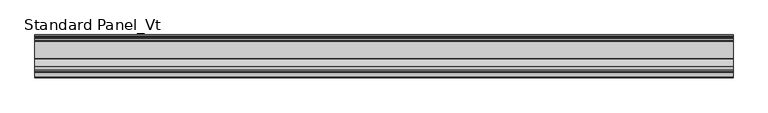
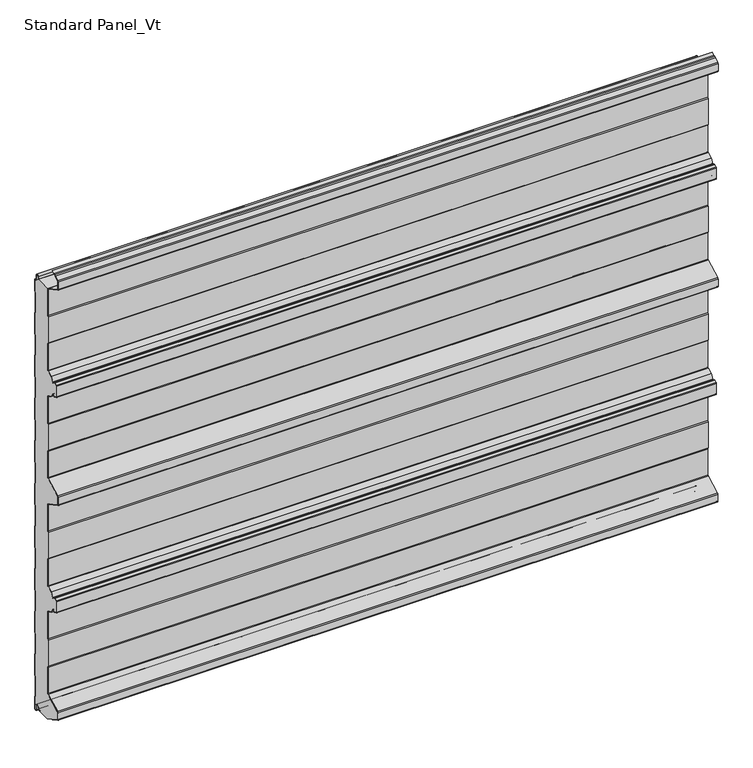
"""IFC4 building model written with IfcOpenShell, lengths in millimetres: proxy geometry, Standard Panel_Vt."""

from ifc_helpers import new_model, si_unit, point, frame, frame_2d, origin, place, context, project, spatial, polyline, circle_curve, trimmed, segment, composite_curve, outline, extrude, source, transform, mapped, element, save


def standard_panel_vt_51ccf5a8(model_context):
    return source(origin(), model_context, "Body", "SweptSolid", [
        extrude(outline(composite_curve([segment(trimmed(circle_curve(frame_2d((-51.75, 967.456399)), 2.55), [point((-49.2, 967.456399))], [point((-49.6107833, 968.8442938))], True, "CARTESIAN"), True, "CONTINUOUS"), segment(polyline([(-49.6107833, 968.8442938), (-13.0699171, 968.8442938), (-11.8132517, 974.2875095)]), True, "CONTINUOUS"), segment(trimmed(circle_curve(frame_2d((-9.036297, 973.646399)), 2.85), [point((-11.8132517, 974.2875095))], [point((-6.186297, 973.646399))], False, "CARTESIAN"), True, "CONTINUOUS"), segment(polyline([(-6.186297, 973.646399), (-6.186297, 963.846399)]), True, "CONTINUOUS"), segment(trimmed(circle_curve(frame_2d((-3.436297, 963.846399)), 2.75), [point((-6.186297, 963.846399))], [point((-3.436297, 961.096399))], True, "CARTESIAN"), True, "CONTINUOUS"), segment(polyline([(-3.436297, 961.096399), (-2.036297, 961.096399)]), True, "CONTINUOUS"), segment(trimmed(circle_curve(frame_2d((-2.036297, 959.846399)), 1.25), [point((-2.036297, 961.096399))], [point((-0.786297, 959.846399))], False, "CARTESIAN"), True, "CONTINUOUS"), segment(polyline([(-0.786297, 959.846399), (-0.786297, 932.8331036), (-1.786297, 931.1010528), (-1.786297, 884.6770917), (-0.786297, 882.9025902), (-0.786297, 833.8331036), (-1.8, 832.1010528), (-1.8, 785.6364357), (-0.8, 783.9043849), (-0.8, 734.8331036), (-1.8, 733.1010528), (-1.8, 686.6770917), (-0.8, 684.9025902), (-0.8, 635.8331036), (-1.8, 634.1010528), (-1.8, 587.6770917), (-0.8, 585.9025902), (-0.8, 536.8331036), (-1.8, 535.1010528), (-1.8, 488.6364357), (-0.8, 486.9043849), (-0.8, 437.8331036), (-1.8, 436.1010528), (-1.8, 389.6364357), (-0.8, 387.9043849), (-0.8, 338.8331036), (-1.8, 337.1010528), (-1.8, 290.6770917), (-0.8, 288.9025902), (-0.8, 239.8331036), (-1.8, 238.1010528), (-1.8, 191.6364357), (-0.8, 189.9043849), (-0.8, 140.8331036), (-1.8, 139.1010528), (-1.8, 92.6364357), (-0.8, 90.9043849), (-0.8, 41.8331036), (-1.8, 40.1010528), (-1.8, -6.3635643), (-0.8, -8.0956151), (-0.8, -35.653601)]), True, "CONTINUOUS"), segment(trimmed(circle_curve(frame_2d((-2.55, -35.653601)), 1.75), [point((-0.8, -35.653601))], [point((-4.3, -35.653601))], False, "CARTESIAN"), True, "CONTINUOUS"), segment(polyline([(-4.3, -35.653601), (-4.3, -26.153601)]), True, "CONTINUOUS"), segment(trimmed(circle_curve(frame_2d((-9.05, -26.153601)), 4.75), [point((-4.3, -26.153601))], [point((-13.7278368, -25.3287722))], True, "CARTESIAN"), True, "CONTINUOUS"), segment(polyline([(-13.7278368, -25.3287722), (-14.4904098, -29.6535385)]), True, "CONTINUOUS"), segment(trimmed(circle_curve(frame_2d((-15.3274964, -29.5059375)), 0.85), [point((-14.4904098, -29.6535385))], [point((-16.1690547, -29.6254352))], False, "CARTESIAN"), True, "CONTINUOUS"), segment(polyline([(-16.1690547, -29.6254352), (-16.8682582, -24.7013192), (-17.660313, -24.8137877), (-16.9611095, -29.7379036)]), True, "CONTINUOUS"), segment(trimmed(circle_curve(frame_2d((-15.3274964, -29.5059375)), 1.65), [point((-16.9611095, -29.7379036))], [point((-15.3551162, -31.1557063))], True, "CARTESIAN"), True, "CONTINUOUS"), segment(polyline([(-15.3551162, -31.1557063), (-46.7559646, -31.1557063), (-85.4808064, -10.5653426)]), True, "CONTINUOUS"), segment(trimmed(circle_curve(frame_2d((-84.5183897, -8.7553)), 2.05), [point((-85.4808064, -10.5653426))], [point((-86.5683897, -8.7553))], False, "CARTESIAN"), True, "CONTINUOUS"), segment(polyline([(-86.5683897, -8.7553), (-86.5683897, 6.7553)]), True, "CONTINUOUS"), segment(trimmed(circle_curve(frame_2d((-84.5183897, 6.7553)), 2.05), [point((-86.5683897, 6.7553))], [point((-85.4813607, 8.5650477))], False, "CARTESIAN"), True, "CONTINUOUS"), segment(polyline([(-85.4813607, 8.5650477), (-50.5090325, 27.08352)]), True, "CONTINUOUS"), segment(trimmed(circle_curve(frame_2d((-51.7198823, 29.2934182)), 2.5198823), [point((-50.5090325, 27.08352))], [point((-49.2, 29.2934182))], True, "CARTESIAN"), True, "CONTINUOUS"), segment(polyline([(-49.2, 29.2934182), (-49.2, 90.6923193), (-50.1683897, 93.6457761), (-50.1683897, 153.4455537), (-49.2, 156.4610626), (-49.2, 218.3415811)]), True, "CONTINUOUS"), segment(trimmed(circle_curve(frame_2d((-50.9901889, 218.5292607)), 1.8), [point((-49.2, 218.3415811))], [point((-50.1451242, 220.1185579))], True, "CARTESIAN"), True, "CONTINUOUS"), segment(polyline([(-50.1451242, 220.1185579), (-61.6632074, 226.2429788), (-67.3508249, 235.2263707)]), True, "CONTINUOUS"), segment(trimmed(circle_curve(frame_2d((-68.8716418, 234.2635022)), 1.8), [point((-67.3508249, 235.2263707))], [point((-69.6785164, 235.8725247))], True, "CARTESIAN"), True, "CONTINUOUS"), segment(polyline([(-69.6785164, 235.8725247), (-74.8574433, 233.2754544), (-80.4573069, 236.2530799), (-80.4573069, 261.7469268), (-74.8466132, 264.730008), (-69.6784342, 262.138199)]), True, "CONTINUOUS"), segment(trimmed(circle_curve(frame_2d((-68.8715276, 263.7472055)), 1.8), [point((-69.6784342, 262.138199))], [point((-67.3507298, 262.7843068))], True, "CARTESIAN"), True, "CONTINUOUS"), segment(polyline([(-67.3507298, 262.7843068), (-61.6734802, 271.7509289), (-50.1454573, 277.8803412)]), True, "CONTINUOUS"), segment(trimmed(circle_curve(frame_2d((-50.9904904, 279.4696552)), 1.8), [point((-50.1454573, 277.8803412))], [point((-49.2, 279.6544369))], True, "CARTESIAN"), True, "CONTINUOUS"), segment(polyline([(-49.2, 279.6544369), (-49.2, 341.1072203), (-50.1683897, 343.4888602), (-50.1683897, 403.280201), (-49.2, 405.6618409), (-49.2, 467.4564123)]), True, "CONTINUOUS"), segment(trimmed(circle_curve(frame_2d((-51.75, 467.4564123)), 2.55), [point((-49.2, 467.4564123))], [point((-50.5528475, 469.7079287))], True, "CARTESIAN"), True, "CONTINUOUS"), segment(polyline([(-50.5528475, 469.7079287), (-86.4808064, 488.8111633)]), True, "CONTINUOUS"), segment(trimmed(circle_curve(frame_2d((-85.5183897, 490.6212058)), 2.05), [point((-86.4808064, 488.8111633))], [point((-87.5683897, 490.6212058))], False, "CARTESIAN"), True, "CONTINUOUS"), segment(polyline([(-87.5683897, 490.6212058), (-87.5683897, 507.3787942)]), True, "CONTINUOUS"), segment(trimmed(circle_curve(frame_2d((-85.5183897, 507.3787942)), 2.05), [point((-87.5683897, 507.3787942))], [point((-86.4808064, 509.1888367))], False, "CARTESIAN"), True, "CONTINUOUS"), segment(polyline([(-86.4808064, 509.1888367), (-50.5528475, 528.2920713)]), True, "CONTINUOUS"), segment(trimmed(circle_curve(frame_2d((-51.75, 530.5435877)), 2.55), [point((-50.5528475, 528.2920713))], [point((-49.2, 530.5435877))], True, "CARTESIAN"), True, "CONTINUOUS"), segment(polyline([(-49.2, 530.5435877), (-49.2, 591.8381591), (-50.1683897, 594.219799), (-50.1683897, 654.0111398), (-49.2, 656.3927803), (-49.2, 718.5303448)]), True, "CONTINUOUS"), segment(trimmed(circle_curve(frame_2d((-50.9997352, 718.5303448)), 1.7997352), [point((-49.2, 718.5303448))], [point((-50.1548264, 720.119425))], True, "CARTESIAN"), True, "CONTINUOUS"), segment(polyline([(-50.1548264, 720.119425), (-61.6832892, 726.2490712), (-67.3605387, 735.2156931)]), True, "CONTINUOUS"), segment(trimmed(circle_curve(frame_2d((-68.8813366, 734.2527944)), 1.8), [point((-67.3605387, 735.2156931))], [point((-69.6882431, 735.8618009))], True, "CARTESIAN"), True, "CONTINUOUS"), segment(polyline([(-69.6882431, 735.8618009), (-74.8564238, 733.269991), (-80.4669529, 736.2530911), (-80.4669529, 761.7470593), (-74.8672514, 764.724545), (-69.6883253, 762.1274752)]), True, "CONTINUOUS"), segment(trimmed(circle_curve(frame_2d((-68.8814507, 763.7364977)), 1.8), [point((-69.6883253, 762.1274752))], [point((-67.3606338, 762.7736292))], True, "CARTESIAN"), True, "CONTINUOUS"), segment(polyline([(-67.3606338, 762.7736292), (-61.6730163, 771.7570211), (-50.1549332, 777.881442)]), True, "CONTINUOUS"), segment(trimmed(circle_curve(frame_2d((-50.9999978, 779.4707392)), 1.8), [point((-50.1549332, 777.881442))], [point((-49.2, 779.4679533))], True, "CARTESIAN"), True, "CONTINUOUS"), segment(polyline([(-49.2, 779.4679533), (-49.2, 841.6072201), (-50.1683897, 843.9888535), (-50.1683897, 903.7801942), (-49.2, 906.1618275), (-49.2, 967.456399)]), True, "CONTINUOUS")], self_intersect=False)), frame((-723.9042608, 0.0, 0.0), z_axis=(1.0, 0.0, 0.0), x_axis=(0.0, 1.0, 0.0)), (0.0, 0.0, 1.0), 1447.8085217),
        extrude(outline(composite_curve([segment(trimmed(circle_curve(frame_2d((-51.75, 967.456399)), 1.75), [point((-50.0, 967.456399))], [point((-50.9284248, 969.0015573))], True, "CARTESIAN"), True, "CONTINUOUS"), segment(polyline([(-50.9284248, 969.0015573), (-86.8563836, 988.1047918)]), True, "CONTINUOUS"), segment(trimmed(circle_curve(frame_2d((-85.5183897, 990.6211925)), 2.85), [point((-86.8563836, 988.1047918))], [point((-88.3683897, 990.6211925))], False, "CARTESIAN"), True, "CONTINUOUS"), segment(polyline([(-88.3683897, 990.6211925), (-88.3683897, 1007.362)]), True, "CONTINUOUS"), segment(trimmed(circle_curve(frame_2d((-85.5183897, 1007.362)), 2.85), [point((-88.3683897, 1007.362))], [point((-86.8563836, 1009.8784006))], False, "CARTESIAN"), True, "CONTINUOUS"), segment(polyline([(-86.8563836, 1009.8784006), (-77.6702585, 1014.76275), (-75.3708693, 1017.1802976), (-72.000038, 1017.7776597), (-66.2289737, 1020.846189), (-65.8533964, 1020.139831), (-71.7360251, 1017.0119818), (-74.9723908, 1016.438449), (-77.1800551, 1014.1173397), (-86.4808064, 1009.1720426)]), True, "CONTINUOUS"), segment(trimmed(circle_curve(frame_2d((-85.5183897, 1007.362)), 2.05), [point((-86.4808064, 1009.1720426))], [point((-87.5683897, 1007.362))], True, "CARTESIAN"), True, "CONTINUOUS"), segment(polyline([(-87.5683897, 1007.362), (-87.5683897, 990.6211925)]), True, "CONTINUOUS"), segment(trimmed(circle_curve(frame_2d((-85.5183897, 990.6211925)), 2.05), [point((-87.5683897, 990.6211925))], [point((-86.4808064, 988.8111499))], True, "CARTESIAN"), True, "CONTINUOUS"), segment(polyline([(-86.4808064, 988.8111499), (-50.5528475, 969.7079153)]), True, "CONTINUOUS"), segment(trimmed(circle_curve(frame_2d((-51.75, 967.456399)), 2.55), [point((-50.5528475, 969.7079153))], [point((-49.2, 967.456399))], False, "CARTESIAN"), True, "CONTINUOUS"), segment(polyline([(-49.2, 967.456399), (-49.2, 906.1618275), (-50.1683897, 903.7801942), (-50.1683897, 843.9888535), (-49.2, 841.6072201), (-49.2, 779.4679533)]), True, "CONTINUOUS"), segment(trimmed(circle_curve(frame_2d((-50.9999978, 779.4707392)), 1.8), [point((-49.2, 779.4679533))], [point((-50.1549332, 777.881442))], False, "CARTESIAN"), True, "CONTINUOUS"), segment(polyline([(-50.1549332, 777.881442), (-61.6730163, 771.7570211), (-67.3606338, 762.7736292)]), True, "CONTINUOUS"), segment(trimmed(circle_curve(frame_2d((-68.8814507, 763.7364977)), 1.8), [point((-67.3606338, 762.7736292))], [point((-69.6883253, 762.1274752))], False, "CARTESIAN"), True, "CONTINUOUS"), segment(polyline([(-69.6883253, 762.1274752), (-74.8672514, 764.724545), (-80.4669529, 761.7470593), (-80.4669529, 736.2530911), (-74.8564238, 733.269991), (-69.6882431, 735.8618009)]), True, "CONTINUOUS"), segment(trimmed(circle_curve(frame_2d((-68.8813366, 734.2527944)), 1.8), [point((-69.6882431, 735.8618009))], [point((-67.3605387, 735.2156931))], False, "CARTESIAN"), True, "CONTINUOUS"), segment(polyline([(-67.3605387, 735.2156931), (-61.6832892, 726.2490712), (-50.1548264, 720.119425)]), True, "CONTINUOUS"), segment(trimmed(circle_curve(frame_2d((-50.9997352, 718.5303448)), 1.7997352), [point((-50.1548264, 720.119425))], [point((-49.2, 718.5303448))], False, "CARTESIAN"), True, "CONTINUOUS"), segment(polyline([(-49.2, 718.5303448), (-49.2, 656.3927803), (-50.1683897, 654.0111398), (-50.1683897, 594.219799), (-49.2, 591.8381591), (-49.2, 530.5435877)]), True, "CONTINUOUS"), segment(trimmed(circle_curve(frame_2d((-51.75, 530.5435877)), 2.55), [point((-49.2, 530.5435877))], [point((-50.5528475, 528.2920713))], False, "CARTESIAN"), True, "CONTINUOUS"), segment(polyline([(-50.5528475, 528.2920713), (-86.4808064, 509.1888367)]), True, "CONTINUOUS"), segment(trimmed(circle_curve(frame_2d((-85.5183897, 507.3787942)), 2.05), [point((-86.4808064, 509.1888367))], [point((-87.5683897, 507.3787942))], True, "CARTESIAN"), True, "CONTINUOUS"), segment(polyline([(-87.5683897, 507.3787942), (-87.5683897, 490.6212058)]), True, "CONTINUOUS"), segment(trimmed(circle_curve(frame_2d((-85.5183897, 490.6212058)), 2.05), [point((-87.5683897, 490.6212058))], [point((-86.4808064, 488.8111633))], True, "CARTESIAN"), True, "CONTINUOUS"), segment(polyline([(-86.4808064, 488.8111633), (-50.5528475, 469.7079287)]), True, "CONTINUOUS"), segment(trimmed(circle_curve(frame_2d((-51.75, 467.4564123)), 2.55), [point((-50.5528475, 469.7079287))], [point((-49.2, 467.4564123))], False, "CARTESIAN"), True, "CONTINUOUS"), segment(polyline([(-49.2, 467.4564123), (-49.2, 406.1618409), (-50.1683897, 403.780201), (-50.1683897, 343.9888602), (-49.2, 341.6072203), (-49.2, 279.6544369)]), True, "CONTINUOUS"), segment(trimmed(circle_curve(frame_2d((-50.9904904, 279.4696552)), 1.8), [point((-49.2, 279.6544369))], [point((-50.1454573, 277.8803412))], False, "CARTESIAN"), True, "CONTINUOUS"), segment(polyline([(-50.1454573, 277.8803412), (-61.6734802, 271.7509289), (-67.3507298, 262.7843068)]), True, "CONTINUOUS"), segment(trimmed(circle_curve(frame_2d((-68.8715276, 263.7472055)), 1.8), [point((-67.3507298, 262.7843068))], [point((-69.6784342, 262.138199))], False, "CARTESIAN"), True, "CONTINUOUS"), segment(polyline([(-69.6784342, 262.138199), (-74.8466132, 264.730008), (-80.4573069, 261.7469268), (-80.4573069, 236.2530799), (-74.8574433, 233.2754544), (-69.6785164, 235.8725247)]), True, "CONTINUOUS"), segment(trimmed(circle_curve(frame_2d((-68.8716418, 234.2635022)), 1.8), [point((-69.6785164, 235.8725247))], [point((-67.3508249, 235.2263707))], False, "CARTESIAN"), True, "CONTINUOUS"), segment(polyline([(-67.3508249, 235.2263707), (-61.6632074, 226.2429788), (-50.1451242, 220.1185579)]), True, "CONTINUOUS"), segment(trimmed(circle_curve(frame_2d((-50.9901889, 218.5292607)), 1.8), [point((-50.1451242, 220.1185579))], [point((-49.2, 218.3415811))], False, "CARTESIAN"), True, "CONTINUOUS"), segment(polyline([(-49.2, 218.3415811), (-49.2, 156.5594953), (-50.1683897, 153.5439864), (-50.1683897, 93.6457761), (-49.2, 90.6923193), (-49.2, 29.2934182)]), True, "CONTINUOUS"), segment(trimmed(circle_curve(frame_2d((-51.7198823, 29.2934182)), 2.5198823), [point((-49.2, 29.2934182))], [point((-50.5090325, 27.08352))], False, "CARTESIAN"), True, "CONTINUOUS"), segment(polyline([(-50.5090325, 27.08352), (-85.4813607, 8.5650477)]), True, "CONTINUOUS"), segment(trimmed(circle_curve(frame_2d((-84.5183897, 6.7553)), 2.05), [point((-85.4813607, 8.5650477))], [point((-86.5683897, 6.7553))], True, "CARTESIAN"), True, "CONTINUOUS"), segment(polyline([(-86.5683897, 6.7553), (-86.5683897, -8.7553)]), True, "CONTINUOUS"), segment(trimmed(circle_curve(frame_2d((-84.5183897, -8.7553)), 2.05), [point((-86.5683897, -8.7553))], [point((-85.4808064, -10.5653426))], True, "CARTESIAN"), True, "CONTINUOUS"), segment(polyline([(-85.4808064, -10.5653426), (-64.8533847, -21.5331372), (-65.2289619, -22.2394953), (-85.8563836, -11.2717006)]), True, "CONTINUOUS"), segment(trimmed(circle_curve(frame_2d((-84.5183897, -8.7553)), 2.85), [point((-85.8563836, -11.2717006))], [point((-87.3683897, -8.7553))], False, "CARTESIAN"), True, "CONTINUOUS"), segment(polyline([(-87.3683897, -8.7553), (-87.3683897, 6.7553)]), True, "CONTINUOUS"), segment(trimmed(circle_curve(frame_2d((-84.5183897, 6.7553)), 2.85), [point((-87.3683897, 6.7553))], [point((-85.8563836, 9.2717006))], False, "CARTESIAN"), True, "CONTINUOUS"), segment(polyline([(-85.8563836, 9.2717006), (-50.8889236, 27.7875952)]), True, "CONTINUOUS"), segment(trimmed(circle_curve(frame_2d((-51.7198823, 29.2934182)), 1.7198823), [point((-50.8889236, 27.7875952))], [point((-50.0, 29.2934182))], True, "CARTESIAN"), True, "CONTINUOUS"), segment(polyline([(-50.0, 29.2934182), (-50.0, 90.5645133), (-50.9683897, 93.5179701), (-50.9683897, 153.6692896), (-50.0, 156.6847985), (-50.0, 218.3895256)]), True, "CONTINUOUS"), segment(trimmed(circle_curve(frame_2d((-50.9901889, 218.5292607)), 1.0), [point((-50.0, 218.3895256))], [point((-50.5207085, 219.4122036))], True, "CARTESIAN"), True, "CONTINUOUS"), segment(polyline([(-50.5207085, 219.4122036), (-62.2258174, 225.6360702), (-68.0267435, 234.7984291)]), True, "CONTINUOUS"), segment(trimmed(circle_curve(frame_2d((-68.8716418, 234.2635022)), 1.0), [point((-68.0267435, 234.7984291))], [point((-69.3199055, 235.1574036))], True, "CARTESIAN"), True, "CONTINUOUS"), segment(polyline([(-69.3199055, 235.1574036), (-74.4064911, 232.6066396)]), True, "CONTINUOUS"), segment(trimmed(circle_curve(frame_2d((-74.8547548, 233.500541)), 1.0), [point((-74.4064911, 232.6066396))], [point((-75.3242418, 232.6176016))], False, "CARTESIAN"), True, "CONTINUOUS"), segment(polyline([(-75.3242418, 232.6176016), (-80.4615583, 235.3492761)]), True, "CONTINUOUS"), segment(trimmed(circle_curve(frame_2d((-79.7573465, 236.6736502)), 1.4999604), [point((-80.4615583, 235.3492761))], [point((-81.2573069, 236.6736502))], False, "CARTESIAN"), True, "CONTINUOUS"), segment(polyline([(-81.2573069, 236.6736502), (-81.2573069, 261.3262653)]), True, "CONTINUOUS"), segment(trimmed(circle_curve(frame_2d((-79.7572281, 261.3262653)), 1.5000788), [point((-81.2573069, 261.3262653))], [point((-80.4614397, 262.6507736))], False, "CARTESIAN"), True, "CONTINUOUS"), segment(polyline([(-80.4614397, 262.6507736), (-75.3133815, 265.3878819)]), True, "CONTINUOUS"), segment(trimmed(circle_curve(frame_2d((-74.8439317, 264.5049227)), 1.0), [point((-75.3133815, 265.3878819))], [point((-74.3956503, 265.3988152))], False, "CARTESIAN"), True, "CONTINUOUS"), segment(polyline([(-74.3956503, 265.3988152), (-69.319809, 262.853313)]), True, "CONTINUOUS"), segment(trimmed(circle_curve(frame_2d((-68.8715276, 263.7472055)), 1.0), [point((-69.319809, 262.853313))], [point((-68.0266399, 263.2122617))], True, "CARTESIAN"), True, "CONTINUOUS"), segment(polyline([(-68.0266399, 263.2122617), (-62.2360781, 272.3578487), (-50.5210275, 278.586703)]), True, "CONTINUOUS"), segment(trimmed(circle_curve(frame_2d((-50.9904904, 279.4696552)), 1.0), [point((-50.5210275, 278.586703))], [point((-50.0, 279.6072374))], True, "CARTESIAN"), True, "CONTINUOUS"), segment(polyline([(-50.0, 279.6072374), (-50.0, 341.450796), (-50.9683897, 343.8324358), (-50.9683897, 403.9366254), (-50.0, 406.3182652), (-50.0, 467.4564123)]), True, "CONTINUOUS"), segment(trimmed(circle_curve(frame_2d((-51.75, 467.4564123)), 1.75), [point((-50.0, 467.4564123))], [point((-50.9284248, 469.0015706))], True, "CARTESIAN"), True, "CONTINUOUS"), segment(polyline([(-50.9284248, 469.0015706), (-86.8563836, 488.1048052)]), True, "CONTINUOUS"), segment(trimmed(circle_curve(frame_2d((-85.5183897, 490.6212058)), 2.85), [point((-86.8563836, 488.1048052))], [point((-88.3683897, 490.6212058))], False, "CARTESIAN"), True, "CONTINUOUS"), segment(polyline([(-88.3683897, 490.6212058), (-88.3683897, 507.3787942)]), True, "CONTINUOUS"), segment(trimmed(circle_curve(frame_2d((-85.5183897, 507.3787942)), 2.85), [point((-88.3683897, 507.3787942))], [point((-86.8563836, 509.8951948))], False, "CARTESIAN"), True, "CONTINUOUS"), segment(polyline([(-86.8563836, 509.8951948), (-50.9284248, 528.9984294)]), True, "CONTINUOUS"), segment(trimmed(circle_curve(frame_2d((-51.75, 530.5435877)), 1.75), [point((-50.9284248, 528.9984294))], [point((-50.0, 530.5435877))], True, "CARTESIAN"), True, "CONTINUOUS"), segment(polyline([(-50.0, 530.5435877), (-50.0, 591.6817348), (-50.9683897, 594.0633746), (-50.9683897, 654.1675642), (-49.9999999, 656.5492046), (-49.9999999, 718.5303448)]), True, "CONTINUOUS"), segment(trimmed(circle_curve(frame_2d((-50.9997352, 718.5303448)), 0.9997353), [point((-49.9999999, 718.5303448))], [point((-50.5303966, 719.4130633))], True, "CARTESIAN"), True, "CONTINUOUS"), segment(polyline([(-50.5303966, 719.4130633), (-62.2458871, 725.6421514), (-68.0364489, 734.7877382)]), True, "CONTINUOUS"), segment(trimmed(circle_curve(frame_2d((-68.8813366, 734.2527944)), 1.0), [point((-68.0364489, 734.7877382))], [point((-69.329618, 735.1466869))], True, "CARTESIAN"), True, "CONTINUOUS"), segment(polyline([(-69.329618, 735.1466869), (-74.4054592, 732.6011847)]), True, "CONTINUOUS"), segment(trimmed(circle_curve(frame_2d((-74.8537406, 733.4950772)), 1.0), [point((-74.4054592, 732.6011847))], [point((-75.3232034, 732.6121249))], False, "CARTESIAN"), True, "CONTINUOUS"), segment(polyline([(-75.3232034, 732.6121249), (-80.4711471, 735.3492698)]), True, "CONTINUOUS"), segment(trimmed(circle_curve(frame_2d((-79.7669529, 736.6736982)), 1.5), [point((-80.4711471, 735.3492698))], [point((-81.2669529, 736.6736982))], False, "CARTESIAN"), True, "CONTINUOUS"), segment(polyline([(-81.2669529, 736.6736982), (-81.2669529, 761.2992274)]), True, "CONTINUOUS"), segment(trimmed(circle_curve(frame_2d((-79.7671978, 761.3263314)), 1.5), [point((-81.2669529, 761.2992274))], [point((-80.4714183, 762.6507457))], False, "CARTESIAN"), True, "CONTINUOUS"), segment(polyline([(-80.4714183, 762.6507457), (-75.3340441, 765.3824018)]), True, "CONTINUOUS"), segment(trimmed(circle_curve(frame_2d((-74.8645637, 764.4994589)), 1.0), [point((-75.3340441, 765.3824018))], [point((-74.4163001, 765.3933603))], False, "CARTESIAN"), True, "CONTINUOUS"), segment(polyline([(-74.4163001, 765.3933603), (-69.3297144, 762.8425963)]), True, "CONTINUOUS"), segment(trimmed(circle_curve(frame_2d((-68.8814507, 763.7364977)), 1.0), [point((-69.3297144, 762.8425963))], [point((-68.0365524, 763.2015707))], True, "CARTESIAN"), True, "CONTINUOUS"), segment(polyline([(-68.0365524, 763.2015707), (-62.2356263, 772.3639297), (-50.5305175, 778.5877963)]), True, "CONTINUOUS"), segment(trimmed(circle_curve(frame_2d((-50.9999978, 779.4707392)), 1.0), [point((-50.5305175, 778.5877963))], [point((-50.0, 779.4686627))], True, "CARTESIAN"), True, "CONTINUOUS"), segment(polyline([(-50.0, 779.4686627), (-50.0, 841.4507954), (-50.9683897, 843.8324287), (-50.9683897, 903.9366189), (-50.0, 906.3182523), (-50.0, 967.456399)]), True, "CONTINUOUS")], self_intersect=False)), frame((-723.9042608, 0.0, 0.0), z_axis=(1.0, 0.0, 0.0), x_axis=(0.0, 1.0, 0.0)), (0.0, 0.0, 1.0), 1447.8085217),
        extrude(outline(composite_curve([segment(trimmed(circle_curve(frame_2d((-2.55, -35.653601)), 2.55), [point((0.0, -35.653601))], [point((-5.1, -35.653601))], False, "CARTESIAN"), True, "CONTINUOUS"), segment(polyline([(-5.1, -35.653601), (-5.1, -26.153601)]), True, "CONTINUOUS"), segment(trimmed(circle_curve(frame_2d((-9.05, -26.153601)), 3.95), [point((-5.1, -26.153601))], [point((-12.9399906, -25.4676907))], True, "CARTESIAN"), True, "CONTINUOUS"), segment(polyline([(-12.9399906, -25.4676907), (-13.7025636, -29.792457)]), True, "CONTINUOUS"), segment(trimmed(circle_curve(frame_2d((-15.3274964, -29.5059375)), 1.65), [point((-13.7025636, -29.792457))], [point((-16.9611095, -29.7379036))], False, "CARTESIAN"), True, "CONTINUOUS"), segment(polyline([(-16.9611095, -29.7379036), (-17.660313, -24.8137877), (-16.8682582, -24.7013192), (-16.1690547, -29.6254352)]), True, "CONTINUOUS"), segment(trimmed(circle_curve(frame_2d((-15.3274964, -29.5059375)), 0.85), [point((-16.1690547, -29.6254352))], [point((-14.4904098, -29.6535385))], True, "CARTESIAN"), True, "CONTINUOUS"), segment(polyline([(-14.4904098, -29.6535385), (-13.7278368, -25.3287722)]), True, "CONTINUOUS"), segment(trimmed(circle_curve(frame_2d((-9.05, -26.153601)), 4.75), [point((-13.7278368, -25.3287722))], [point((-4.3, -26.153601))], False, "CARTESIAN"), True, "CONTINUOUS"), segment(polyline([(-4.3, -26.153601), (-4.3, -35.653601)]), True, "CONTINUOUS"), segment(trimmed(circle_curve(frame_2d((-2.55, -35.653601)), 1.75), [point((-4.3, -35.653601))], [point((-0.8, -35.653601))], True, "CARTESIAN"), True, "CONTINUOUS"), segment(polyline([(-0.8, -35.653601), (-0.8, -8.0956151), (-1.8, -6.3635643), (-1.8, 40.1010528), (-0.8, 41.8331036), (-0.8, 90.9043849), (-1.8, 92.6364357), (-1.8, 139.1010528), (-0.8, 140.8331036), (-0.8, 189.9043849), (-1.8, 191.6364357), (-1.8, 238.1010528), (-0.8, 239.8331036), (-0.8, 288.9025902), (-1.8, 290.6770917), (-1.8, 337.1010528), (-0.8, 338.8331036), (-0.8, 387.9043849), (-1.8, 389.6364357), (-1.8, 436.1010528), (-0.8, 437.8331036), (-0.8, 486.9043849), (-1.8, 488.6364357), (-1.8, 535.1010528), (-0.8, 536.8331036), (-0.8, 585.9025902), (-1.8, 587.6770917), (-1.8, 634.1010528), (-0.8, 635.8331036), (-0.8, 684.9025902), (-1.8, 686.6770917), (-1.8, 733.1010528), (-0.8, 734.8331036), (-0.8, 783.9043849), (-1.8, 785.6364357), (-1.8, 832.1010528), (-0.786297, 833.8331036), (-0.786297, 882.9025902), (-1.786297, 884.6770917), (-1.786297, 931.1010528), (-0.786297, 932.8331036), (-0.786297, 959.846399)]), True, "CONTINUOUS"), segment(trimmed(circle_curve(frame_2d((-2.036297, 959.846399)), 1.25), [point((-0.786297, 959.846399))], [point((-2.036297, 961.096399))], True, "CARTESIAN"), True, "CONTINUOUS"), segment(polyline([(-2.036297, 961.096399), (-3.436297, 961.096399)]), True, "CONTINUOUS"), segment(trimmed(circle_curve(frame_2d((-3.436297, 963.846399)), 2.75), [point((-3.436297, 961.096399))], [point((-6.186297, 963.846399))], False, "CARTESIAN"), True, "CONTINUOUS"), segment(polyline([(-6.186297, 963.846399), (-6.186297, 973.646399)]), True, "CONTINUOUS"), segment(trimmed(circle_curve(frame_2d((-9.036297, 973.646399)), 2.85), [point((-6.186297, 973.646399))], [point((-11.8132517, 974.2875095))], True, "CARTESIAN"), True, "CONTINUOUS"), segment(polyline([(-11.8132517, 974.2875095), (-13.0699171, 968.8442938), (-13.8494131, 969.0242547), (-12.5927478, 974.4674703)]), True, "CONTINUOUS"), segment(trimmed(circle_curve(frame_2d((-9.036297, 973.646399)), 3.65), [point((-12.5927478, 974.4674703))], [point((-5.386297, 973.646399))], False, "CARTESIAN"), True, "CONTINUOUS"), segment(polyline([(-5.386297, 973.646399), (-5.386297, 963.846399)]), True, "CONTINUOUS"), segment(trimmed(circle_curve(frame_2d((-3.436297, 963.846399)), 1.95), [point((-5.386297, 963.846399))], [point((-3.436297, 961.896399))], True, "CARTESIAN"), True, "CONTINUOUS"), segment(polyline([(-3.436297, 961.896399), (-2.036297, 961.896399)]), True, "CONTINUOUS"), segment(trimmed(circle_curve(frame_2d((-2.036297, 959.846399)), 2.05), [point((-2.036297, 961.896399))], [point((0.013703, 959.846399))], False, "CARTESIAN"), True, "CONTINUOUS"), segment(polyline([(0.013703, 959.846399), (0.013703, 932.6187443), (-0.986297, 930.8866935), (-0.986297, 884.8869897), (0.013703, 883.1124882), (0.013703, 833.6187443), (-1.0, 831.8866935), (-1.0, 785.8507951), (0.0, 784.1187443), (0.0, 734.6187443), (-1.0, 732.8866935), (-1.0, 686.8869897), (0.0, 685.1124882), (0.0, 635.6187443), (-1.0, 633.8866935), (-1.0, 587.8869897), (0.0, 586.1124882), (0.0, 536.6187443), (-1.0, 534.8866935), (-1.0, 488.8507951), (0.0, 487.1187443), (0.0, 437.6187443), (-1.0, 435.8866935), (-1.0, 389.8507951), (0.0, 388.1187443), (0.0, 338.6187443), (-1.0, 336.8866935), (-1.0, 290.8869897), (0.0, 289.1124882), (0.0, 239.6187443), (-1.0, 237.8866935), (-1.0, 191.8507951), (0.0, 190.1187443), (0.0, 140.6187443), (-1.0, 138.8866935), (-1.0, 92.8507951), (0.0, 91.1187443), (0.0, 41.6187443), (-1.0, 39.8866935), (-1.0, -6.1492049), (0.0, -7.8812557), (0.0, -35.653601)]), True, "CONTINUOUS")], self_intersect=False)), frame((-723.9042608, 0.0, 0.0), z_axis=(1.0, 0.0, 0.0), x_axis=(0.0, 1.0, 0.0)), (0.0, 0.0, 1.0), 1447.8085217),
    ])


if __name__ == "__main__":
    model = new_model("IFC4")
    model_context = context("Model", 3, world=origin())
    ifc_project = project(units=[si_unit("LENGTHUNIT", "METRE", prefix="MILLI")], contexts=[model_context])
    site = spatial("IfcSite", under=ifc_project)
    building = spatial("IfcBuilding", under=site)
    placement = place(None, origin())
    standard_panel_vt_shape = standard_panel_vt_51ccf5a8(model_context)
    element("IfcBuildingElementProxy", 1, Name="Standard Panel_Vt", ObjectType="Standard Panel_Vt", at=placement, inside=building, context=model_context, shape_type="MappedRepresentation", body=[
        mapped(standard_panel_vt_shape, transform((0.0, 0.0, 0.0), x_axis=(1.0, 0.0, 0.0), y_axis=(0.0, 1.0, 0.0), z_axis=(0.0, 0.0, 1.0))),
    ])
    save(model, "model.ifc")
